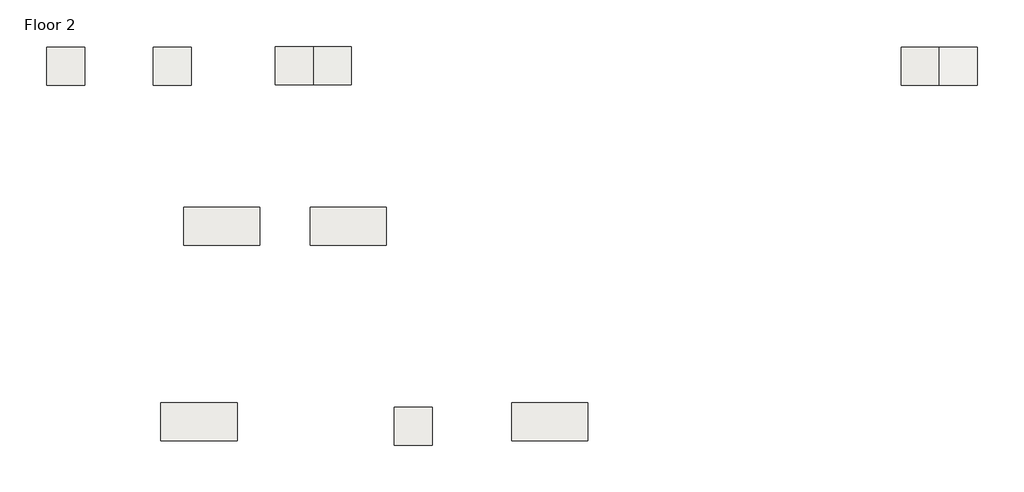
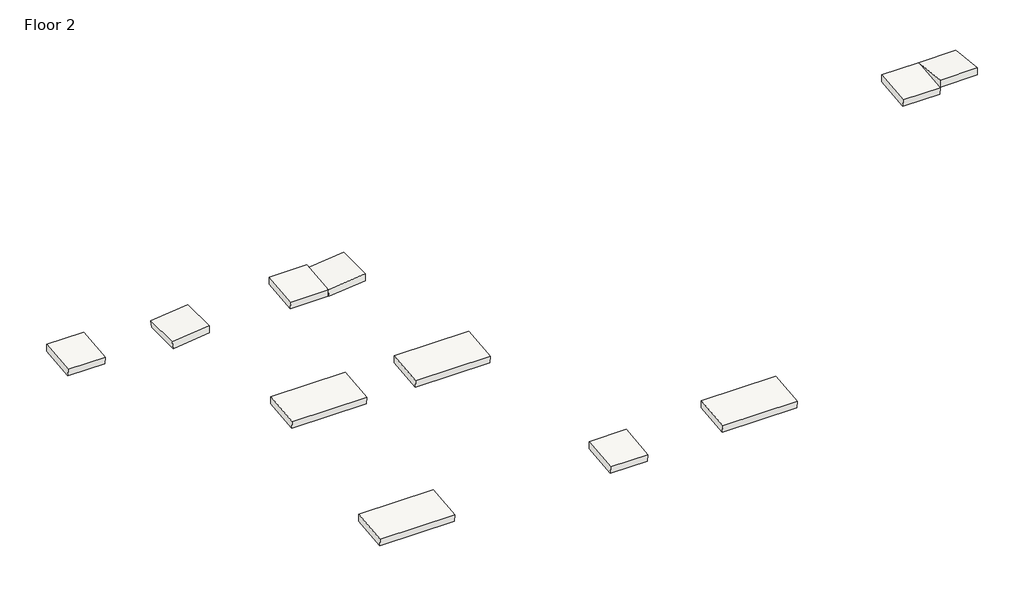
# One storey: 11 roofs.
"""IFC4 building model written with IfcOpenShell, lengths in millimetres."""

from ifc_helpers import new_model, si_unit, frame, origin, place, context, project, spatial, polyline, outline, extrude, element, save

model = new_model("IFC4")

# Units and contexts
model_context = context("Model", 3, world=origin())
ifc_project = project(units=[si_unit("LENGTHUNIT", "METRE", prefix="MILLI")], contexts=[model_context])

# Site, building, storey
site = spatial("IfcSite", under=ifc_project)
building = spatial("IfcBuilding", under=site)
storey = spatial("IfcBuildingStorey", under=building, Name="Floor 2", Elevation=3300.0)

# Roofs
placement = place(None, origin())
element("IfcRoof", 1, at=placement, inside=storey, context=model_context, shape_type="SweptSolid", body=[
    extrude(outline(polyline([(-11686.9588897, 2805.1042353), (-12666.053197, 2702.1972768), (-12686.9588897, 2901.1016559), (-11686.9588897, 3006.2058912), (-11686.9588897, 2805.1042353)])), frame((1295.2420412, 0.0, 0.0), z_axis=(1.0, 0.0, 0.0), x_axis=(0.0, 1.0, 0.0)), (0.0, 0.0, 1.0), 1000.0),
])
element("IfcRoof", 2, at=placement, inside=storey, context=model_context, shape_type="SweptSolid", body=[
    extrude(outline(polyline([(2502.1972768, 4116.1477338), (2605.1042353, 5095.2420412), (2806.2058912, 5095.2420412), (2701.1016559, 4095.2420412), (2502.1972768, 4116.1477338)])), frame((0.0, -12686.9588897, 0.0), z_axis=(0.0, 1.0, 0.0), x_axis=(0.0, 0.0, 1.0)), (0.0, 0.0, 1.0), 1000.0),
])
element("IfcRoof", 3, at=placement, inside=storey, context=model_context, shape_type="SweptSolid", body=[
    extrude(outline(polyline([(-11667.0327781, 2605.1042353), (-12646.1270854, 2502.1972768), (-12667.0327781, 2701.1016559), (-11667.0327781, 2806.2058912), (-11667.0327781, 2605.1042353)])), frame((7295.2405374, 0.0, 0.0), z_axis=(1.0, 0.0, 0.0), x_axis=(0.0, 1.0, 0.0)), (0.0, 0.0, 1.0), 1000.0),
])
element("IfcRoof", 4, at=placement, inside=storey, context=model_context, shape_type="SweptSolid", body=[
    extrude(outline(polyline([(2502.1972768, 8316.1462301), (2605.1042353, 9295.2405374), (2806.2058912, 9295.2405374), (2701.1016559, 8295.2405374), (2502.1972768, 8316.1462301)])), frame((0.0, -12667.0327781, 0.0), z_axis=(0.0, 1.0, 0.0), x_axis=(0.0, 0.0, 1.0)), (0.0, 0.0, 1.0), 1000.0),
])
element("IfcRoof", 5, at=placement, inside=storey, context=model_context, shape_type="SweptSolid", body=[
    extrude(outline(polyline([(-11686.9588897, 2605.1042353), (-12666.053197, 2502.1972768), (-12686.9588897, 2701.1016559), (-11686.9588897, 2806.2058912), (-11686.9588897, 2605.1042353)])), frame((23728.2054543, 0.0, 0.0), z_axis=(1.0, 0.0, 0.0), x_axis=(0.0, 1.0, 0.0)), (0.0, 0.0, 1.0), 1000.0),
])
element("IfcRoof", 6, at=placement, inside=storey, context=model_context, shape_type="SweptSolid", body=[
    extrude(outline(polyline([(-11708.2774511, 2607.1972768), (-12687.3717584, 2710.1042353), (-12687.3717584, 2911.2058912), (-11687.3717584, 2806.1016559), (-11708.2774511, 2607.1972768)])), frame((24728.2054543, 0.0, 0.0), z_axis=(1.0, 0.0, 0.0), x_axis=(0.0, 1.0, 0.0)), (0.0, 0.0, 1.0), 1000.0),
])
element("IfcRoof", 7, at=placement, inside=storey, context=model_context, shape_type="SweptSolid", body=[
    extrude(outline(polyline([(-21017.0740129, 2586.2478511), (-21996.1683202, 2483.3408927), (-22017.0740129, 2682.2452718), (-21017.0740129, 2787.349507), (-21017.0740129, 2586.2478511)])), frame((4295.4825539, 0.0, 0.0), z_axis=(1.0, 0.0, 0.0), x_axis=(0.0, 1.0, 0.0)), (0.0, 0.0, 1.0), 2000.0),
])
element("IfcRoof", 8, at=placement, inside=storey, context=model_context, shape_type="SweptSolid", body=[
    extrude(outline(polyline([(-21136.0240704, 2573.7456963), (-22115.1183777, 2470.8387379), (-22136.0240704, 2669.7431169), (-21136.0240704, 2774.8473522), (-21136.0240704, 2573.7456963)])), frame((10415.2150462, 0.0, 0.0), z_axis=(1.0, 0.0, 0.0), x_axis=(0.0, 1.0, 0.0)), (0.0, 0.0, 1.0), 1000.0),
])
element("IfcRoof", 9, at=placement, inside=storey, context=model_context, shape_type="SweptSolid", body=[
    extrude(outline(polyline([(-21017.3862167, 2586.2478511), (-21996.480524, 2483.3408927), (-22017.3862167, 2682.2452718), (-21017.3862167, 2787.349507), (-21017.3862167, 2586.2478511)])), frame((13503.3255093, 0.0, 0.0), z_axis=(1.0, 0.0, 0.0), x_axis=(0.0, 1.0, 0.0)), (0.0, 0.0, 1.0), 2000.0),
])
element("IfcRoof", 10, at=placement, inside=storey, context=model_context, shape_type="SweptSolid", body=[
    extrude(outline(polyline([(-15888.8045873, 2605.1042353), (-16867.8988946, 2502.1972768), (-16888.8045873, 2701.1016559), (-15888.8045873, 2806.2058912), (-15888.8045873, 2605.1042353)])), frame((4894.2909669, 0.0, 0.0), z_axis=(1.0, 0.0, 0.0), x_axis=(0.0, 1.0, 0.0)), (0.0, 0.0, 1.0), 2000.0),
])
element("IfcRoof", 11, at=placement, inside=storey, context=model_context, shape_type="SweptSolid", body=[
    extrude(outline(polyline([(-15888.8045873, 2605.1042353), (-16867.8988946, 2502.1972768), (-16888.8045873, 2701.1016559), (-15888.8045873, 2806.2058912), (-15888.8045873, 2605.1042353)])), frame((8210.812237, 0.0, 0.0), z_axis=(1.0, 0.0, 0.0), x_axis=(0.0, 1.0, 0.0)), (0.0, 0.0, 1.0), 2000.0),
])

save(model, "model.ifc")
